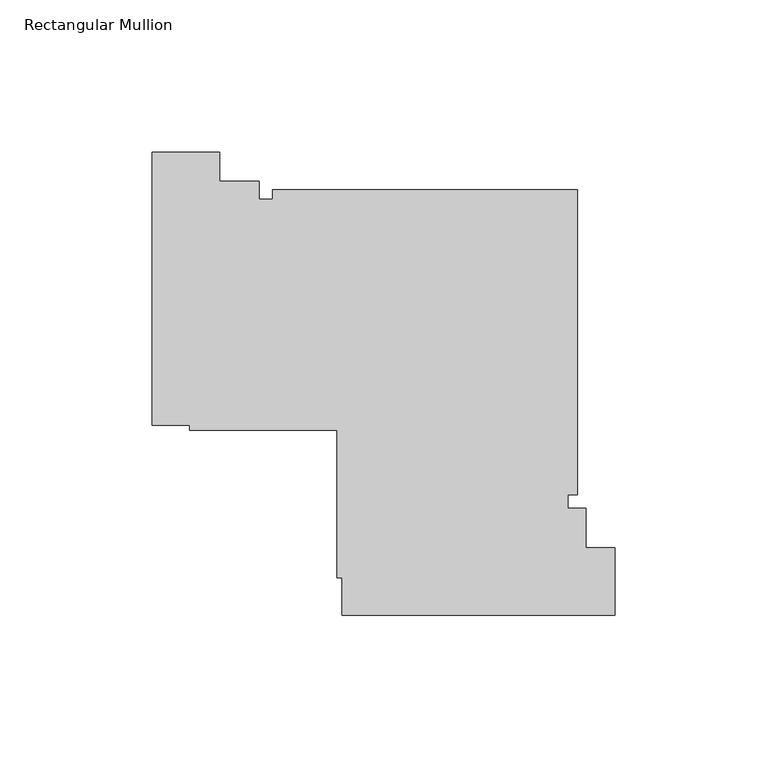
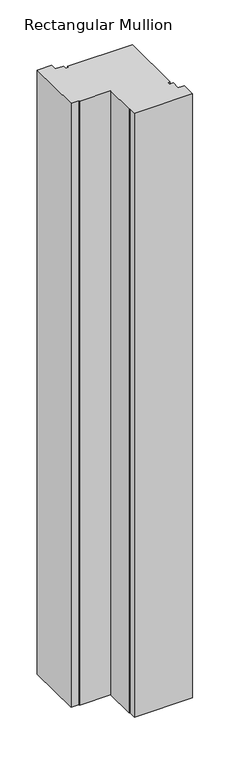
"""IFC4 building model written with IfcOpenShell, lengths in millimetres: member geometry, Rectangular Mullion."""

from ifc_helpers import new_model, si_unit, frame, origin, place, context, project, spatial, polyline, outline, extrude, source, transform, mapped, element, save


def rectangular_mullion_0a57f2d2(model_context):
    return source(origin(), model_context, "Body", "SweptSolid", [
        extrude(outline(polyline([(-171.2099738, -15.0000854), (-149.2099129, -15.0000854), (-149.2099129, -24.5000025), (-136.2099738, -24.5000025), (-136.2099738, -30.3000025), (-131.8100025, -30.3000025), (-131.8100025, -27.3000025), (-31.8100025, -27.3000025), (-31.8100025, -127.3000025), (-34.8100025, -127.3000025), (-34.8100025, -131.6999738), (-29.0100025, -131.6999738), (-29.0100025, -144.6999129), (-19.5100025, -144.6999129), (-19.5100025, -166.6999738), (-109.0100025, -166.6999738), (-109.0100025, -154.5000025), (-110.6100025, -154.5000025), (-110.6100025, -106.1000025), (-159.0100025, -106.1000025), (-159.0100025, -104.5000025), (-171.2099738, -104.5000025), (-171.2099738, -15.0000854)])), frame((0.0, 0.0, -983.7033268), z_axis=(0.0, 0.0, 1.0), x_axis=(1.0, 0.0, 0.0)), (0.0, 0.0, 1.0), 983.7033268),
    ])


if __name__ == "__main__":
    model = new_model("IFC4")
    model_context = context("Model", 3, world=origin())
    ifc_project = project(units=[si_unit("LENGTHUNIT", "METRE", prefix="MILLI")], contexts=[model_context])
    site = spatial("IfcSite", under=ifc_project)
    building = spatial("IfcBuilding", under=site)
    placement = place(None, origin())
    rectangular_mullion_shape = rectangular_mullion_0a57f2d2(model_context)
    element("IfcMember", 1, ObjectType="Rectangular Mullion", at=placement, inside=building, context=model_context, shape_type="MappedRepresentation", body=[
        mapped(rectangular_mullion_shape, transform((0.0, 0.0, 0.0), x_axis=(1.0, 0.0, 0.0), y_axis=(0.0, 1.0, 0.0), z_axis=(0.0, 0.0, 1.0))),
    ])
    save(model, "model.ifc")
